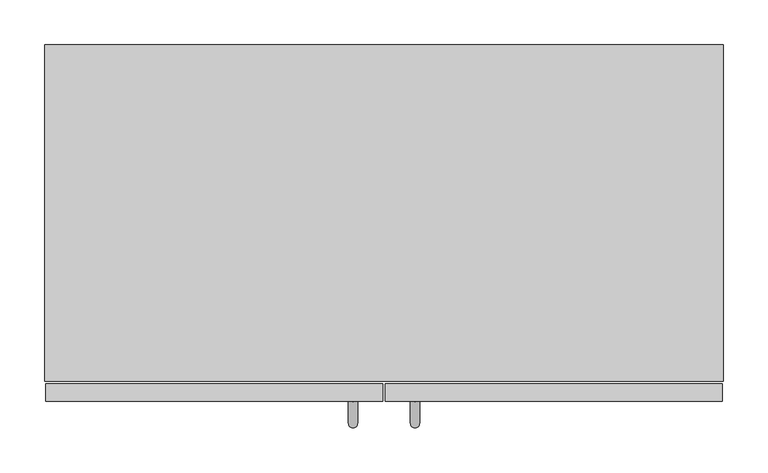
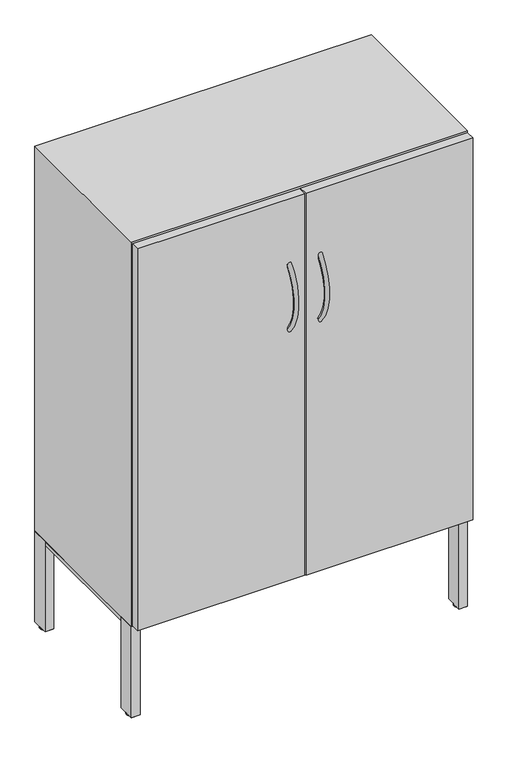
"""IFC4 building model written with IfcOpenShell, lengths in millimetres: furniture geometry."""

from ifc_helpers import new_model, si_unit, point, frame, origin, place, context, project, spatial, polyline, circle_curve, ellipse_curve, trimmed, outline, extrude, faceted_brep, source, transform, mapped, element, save
from ifc_brep_helpers import plane_surface, cylinder_surface, revolved_surface, advanced_brep


def furniture_bda686d8(model_context):
    return source(origin(), model_context, "Body", "SolidModel", [
        advanced_brep(
        [(752.078125, -350.5565183, 0.0), (752.078125, -365.8247546, 0.0), (752.078125, -358.1906364, 0.0), (752.078125, -348.2844582, 2.2720601), (752.078125, -368.0968147, 2.2720601), (752.078125, -348.2844582, 3.8099903), (752.078125, -368.0968147, 3.8099903), (752.078125, -358.1906364, 3.8099903)],
        [
            (0, 1, circle_curve(frame((752.078125, -358.1906364, 0.0), z_axis=(0.0, 0.0, -1.0), x_axis=(0.0, -1.0, 0.0)), 7.6341181)),
            (1, 2),
            (2, 0),
            (1, 0, circle_curve(frame((752.078125, -358.1906364, 0.0), z_axis=(0.0, 0.0, -1.0), x_axis=(0.0, -1.0, 0.0)), 7.6341181)),
            (3, 4, circle_curve(frame((752.078125, -358.1906364, 2.2720601), z_axis=(0.0, 0.0, -1.0), x_axis=(0.0, -1.0, 0.0)), 9.9061783)),
            (4, 1, circle_curve(frame((752.078125, -365.8247546, 2.2720601), z_axis=(1.0, 0.0, 0.0), x_axis=(0.0, 1.0, 0.0)), 2.2720601)),
            (0, 3, circle_curve(frame((752.078125, -350.5565183, 2.2720601), z_axis=(1.0, 0.0, 0.0), x_axis=(0.0, -1.0, 0.0)), 2.2720601)),
            (4, 3, circle_curve(frame((752.078125, -358.1906364, 2.2720601), z_axis=(0.0, 0.0, -1.0), x_axis=(0.0, -1.0, 0.0)), 9.9061783)),
            (5, 6, circle_curve(frame((752.078125, -358.1906364, 3.8099903), z_axis=(0.0, 0.0, -1.0), x_axis=(0.0, -1.0, 0.0)), 9.9061783)),
            (6, 4),
            (3, 5),
            (6, 5, circle_curve(frame((752.078125, -358.1906364, 3.8099903), z_axis=(0.0, 0.0, -1.0), x_axis=(0.0, -1.0, 0.0)), 9.9061783)),
            (7, 6),
            (5, 7),
        ],
        [
            plane_surface(frame((752.078125, -358.1906364, 0.0), z_axis=(0.0, 0.0, -1.0), x_axis=(0.0, -1.0, 0.0))),
            revolved_surface(trimmed(ellipse_curve(frame((752.078125, -365.8247546, 2.2720601), z_axis=(-1.0, 0.0, 0.0), x_axis=(0.0, 1.0, 0.0)), 2.2720601, 2.2720601), [point((752.078125, -365.8247546, 0.0))], [point((752.078125, -368.0968147, 2.2720601))], True, "CARTESIAN"), (752.078125, -358.1906364, 7.1227407), (0.0, 0.0, 1.0)),
            cylinder_surface(frame((752.078125, -358.1906364, 7.1227407), z_axis=(0.0, 0.0, 1.0), x_axis=(0.0, -1.0, 0.0)), 9.9061783),
            plane_surface(frame((752.078125, -358.1906364, 3.8099903), z_axis=(0.0, 0.0, 1.0), x_axis=(0.0, -1.0, 0.0))),
        ],
        [
            (0, [[1, 2, 3]]),
            (0, [[4, -3, -2]]),
            (1, [[5, 6, -1, 7]]),
            (1, [[8, -7, -4, -6]]),
            (2, [[9, 10, -5, 11]]),
            (2, [[12, -11, -8, -10]]),
            (3, [[13, -9, 14]]),
            (3, [[-14, -12, -13]]),
        ],
    ),
        extrude(outline(polyline([(743.8854686, -376.2345932), (743.8854686, -340.1469704), (760.1414228, -340.1469704), (760.1414228, -376.2345932), (743.8854686, -376.2345932)]), holes=[polyline([(745.1554613, -374.9646126), (758.871424, -374.9646126), (758.871424, -341.416951), (745.1554613, -341.416951), (745.1554613, -374.9646126)])]), frame((0.0, 0.0, 3.8099903), z_axis=(0.0, 0.0, 1.0), x_axis=(1.0, 0.0, 0.0)), (0.0, 0.0, 1.0), 1.5750008),
        extrude(outline(polyline([(655.9709602, -354.586388), (658.4000055, -342.0900333), (624.2679386, -335.4554316), (624.2679386, -241.2866938), (759.6140763, -257.8690794), (759.6140763, -338.3787643), (742.1836224, -338.3787643), (742.1836224, -371.3444319), (655.9709602, -354.586388)])), frame((0.0, 0.0, 211.9174185), z_axis=(0.0, 0.0, 1.0), x_axis=(1.0, 0.0, 0.0)), (0.0, 0.0, 1.0), 10.7575071),
        extrude(outline(polyline([(742.1836224, -378.0027992), (742.1836224, -338.3787643), (762.0, -338.3787643), (762.0, -378.0027992), (742.1836224, -378.0027992)])), frame((0.0, 0.0, 5.3850274), z_axis=(0.0, 0.0, 1.0), x_axis=(1.0, 0.0, 0.0)), (0.0, 0.0, 1.0), 217.2898982),
        advanced_brep(
        [(752.078125, -27.4462809, 0.0), (752.078125, -19.8121628, 0.0), (752.078125, -12.1780446, 0.0), (752.078125, -29.7183411, 2.2720601), (752.078125, -9.9059845, 2.2720601), (752.078125, -29.7183411, 3.8099903), (752.078125, -9.9059845, 3.8099903), (752.078125, -19.8121628, 3.8099903)],
        [
            (0, 1),
            (1, 2),
            (2, 0, circle_curve(frame((752.078125, -19.8121628, 0.0), z_axis=(0.0, 0.0, -1.0), x_axis=(0.0, 1.0, 0.0)), 7.6341181)),
            (0, 2, circle_curve(frame((752.078125, -19.8121628, 0.0), z_axis=(0.0, 0.0, -1.0), x_axis=(0.0, 1.0, 0.0)), 7.6341181)),
            (3, 0, circle_curve(frame((752.078125, -27.4462809, 2.2720601), z_axis=(1.0, 0.0, 0.0), x_axis=(0.0, 1.0, 0.0)), 2.2720601)),
            (2, 4, circle_curve(frame((752.078125, -12.1780446, 2.2720601), z_axis=(1.0, 0.0, 0.0), x_axis=(0.0, -1.0, 0.0)), 2.2720601)),
            (4, 3, circle_curve(frame((752.078125, -19.8121628, 2.2720601), z_axis=(0.0, 0.0, -1.0), x_axis=(0.0, 1.0, 0.0)), 9.9061783)),
            (3, 4, circle_curve(frame((752.078125, -19.8121628, 2.2720601), z_axis=(0.0, 0.0, -1.0), x_axis=(0.0, 1.0, 0.0)), 9.9061783)),
            (5, 3),
            (4, 6),
            (6, 5, circle_curve(frame((752.078125, -19.8121628, 3.8099903), z_axis=(0.0, 0.0, -1.0), x_axis=(0.0, 1.0, 0.0)), 9.9061783)),
            (5, 6, circle_curve(frame((752.078125, -19.8121628, 3.8099903), z_axis=(0.0, 0.0, -1.0), x_axis=(0.0, 1.0, 0.0)), 9.9061783)),
            (7, 5),
            (6, 7),
        ],
        [
            plane_surface(frame((752.078125, -19.8121628, 0.0), z_axis=(0.0, 0.0, -1.0), x_axis=(0.0, 1.0, 0.0))),
            revolved_surface(trimmed(ellipse_curve(frame((752.078125, -12.1780446, 2.2720601), z_axis=(1.0, 0.0, 0.0), x_axis=(0.0, -1.0, 0.0)), 2.2720601, 2.2720601), [point((752.078125, -12.1780446, 0.0))], [point((752.078125, -9.9059845, 2.2720601))], True, "CARTESIAN"), (752.078125, -19.8121628, 7.1227407), (0.0, 0.0, 1.0)),
            cylinder_surface(frame((752.078125, -19.8121628, 7.1227407), z_axis=(0.0, 0.0, 1.0), x_axis=(0.0, 1.0, 0.0)), 9.9061783),
            plane_surface(frame((752.078125, -19.8121628, 3.8099903), z_axis=(0.0, 0.0, 1.0), x_axis=(0.0, 1.0, 0.0))),
        ],
        [
            (0, [[1, 2, 3]]),
            (0, [[-2, -1, 4]]),
            (1, [[5, -3, 6, 7]]),
            (1, [[-6, -4, -5, 8]]),
            (2, [[9, -7, 10, 11]]),
            (2, [[-10, -8, -9, 12]]),
            (3, [[13, -11, 14]]),
            (3, [[-14, -12, -13]]),
        ],
    ),
        extrude(outline(polyline([(743.8854686, -1.768206), (760.1414228, -1.768206), (760.1414228, -37.8558289), (743.8854686, -37.8558289), (743.8854686, -1.768206)]), holes=[polyline([(745.1554613, -3.0381866), (745.1554613, -36.5858482), (758.871424, -36.5858482), (758.871424, -3.0381866), (745.1554613, -3.0381866)])]), frame((0.0, 0.0, 3.8099903), z_axis=(0.0, 0.0, 1.0), x_axis=(1.0, 0.0, 0.0)), (0.0, 0.0, 1.0), 1.5750008),
        extrude(outline(polyline([(655.9709602, -23.4164113), (742.1836224, -6.6583673), (742.1836224, -39.6240349), (759.6140763, -39.6240349), (759.6140763, -120.1337198), (624.2679386, -136.7161055), (624.2679386, -42.5473676), (658.4000055, -35.9127659), (655.9709602, -23.4164113)])), frame((0.0, 0.0, 211.9174185), z_axis=(0.0, 0.0, 1.0), x_axis=(1.0, 0.0, 0.0)), (0.0, 0.0, 1.0), 10.7575071),
        extrude(outline(polyline([(742.1836224, 0.0), (762.0, 0.0), (762.0, -39.6240349), (742.1836224, -39.6240349), (742.1836224, 0.0)])), frame((0.0, 0.0, 5.3850274), z_axis=(0.0, 0.0, 1.0), x_axis=(1.0, 0.0, 0.0)), (0.0, 0.0, 1.0), 217.2898982),
        advanced_brep(
        [(9.921875, -350.5565183, 0.0), (9.921875, -358.1906364, 0.0), (9.921875, -365.8247546, 0.0), (9.921875, -348.2844582, 2.2720601), (9.921875, -368.0968147, 2.2720601), (9.921875, -348.2844582, 3.8099903), (9.921875, -368.0968147, 3.8099903), (9.921875, -358.1906364, 3.8099903)],
        [
            (0, 1),
            (1, 2),
            (2, 0, circle_curve(frame((9.921875, -358.1906364, 0.0), z_axis=(0.0, 0.0, -1.0), x_axis=(0.0, -1.0, 0.0)), 7.6341181)),
            (0, 2, circle_curve(frame((9.921875, -358.1906364, 0.0), z_axis=(0.0, 0.0, -1.0), x_axis=(0.0, -1.0, 0.0)), 7.6341181)),
            (3, 0, circle_curve(frame((9.921875, -350.5565183, 2.2720601), z_axis=(-1.0, 0.0, 0.0), x_axis=(0.0, -1.0, 0.0)), 2.2720601)),
            (2, 4, circle_curve(frame((9.921875, -365.8247546, 2.2720601), z_axis=(-1.0, 0.0, 0.0), x_axis=(0.0, 1.0, 0.0)), 2.2720601)),
            (4, 3, circle_curve(frame((9.921875, -358.1906364, 2.2720601), z_axis=(0.0, 0.0, -1.0), x_axis=(0.0, -1.0, 0.0)), 9.9061783)),
            (3, 4, circle_curve(frame((9.921875, -358.1906364, 2.2720601), z_axis=(0.0, 0.0, -1.0), x_axis=(0.0, -1.0, 0.0)), 9.9061783)),
            (5, 3),
            (4, 6),
            (6, 5, circle_curve(frame((9.921875, -358.1906364, 3.8099903), z_axis=(0.0, 0.0, -1.0), x_axis=(0.0, -1.0, 0.0)), 9.9061783)),
            (5, 6, circle_curve(frame((9.921875, -358.1906364, 3.8099903), z_axis=(0.0, 0.0, -1.0), x_axis=(0.0, -1.0, 0.0)), 9.9061783)),
            (7, 5),
            (6, 7),
        ],
        [
            plane_surface(frame((9.921875, -358.1906364, 0.0), z_axis=(0.0, 0.0, -1.0), x_axis=(0.0, -1.0, 0.0))),
            revolved_surface(trimmed(ellipse_curve(frame((9.921875, -365.8247546, 2.2720601), z_axis=(-1.0, 0.0, 0.0), x_axis=(0.0, 1.0, 0.0)), 2.2720601, 2.2720601), [point((9.921875, -365.8247546, 0.0))], [point((9.921875, -368.0968147, 2.2720601))], True, "CARTESIAN"), (9.921875, -358.1906364, 7.1227407), (0.0, 0.0, 1.0)),
            cylinder_surface(frame((9.921875, -358.1906364, 7.1227407), z_axis=(0.0, 0.0, 1.0), x_axis=(0.0, -1.0, 0.0)), 9.9061783),
            plane_surface(frame((9.921875, -358.1906364, 3.8099903), z_axis=(0.0, 0.0, 1.0), x_axis=(0.0, -1.0, 0.0))),
        ],
        [
            (0, [[1, 2, 3]]),
            (0, [[-2, -1, 4]]),
            (1, [[5, -3, 6, 7]]),
            (1, [[-6, -4, -5, 8]]),
            (2, [[9, -7, 10, 11]]),
            (2, [[-10, -8, -9, 12]]),
            (3, [[13, -11, 14]]),
            (3, [[-14, -12, -13]]),
        ],
    ),
        extrude(outline(polyline([(18.1145314, -376.2345932), (1.8585772, -376.2345932), (1.8585772, -340.1469704), (18.1145314, -340.1469704), (18.1145314, -376.2345932)]), holes=[polyline([(16.8445387, -374.9646126), (16.8445387, -341.416951), (3.128576, -341.416951), (3.128576, -374.9646126), (16.8445387, -374.9646126)])]), frame((0.0, 0.0, 3.8099903), z_axis=(0.0, 0.0, 1.0), x_axis=(1.0, 0.0, 0.0)), (0.0, 0.0, 1.0), 1.5750008),
        extrude(outline(polyline([(106.0290398, -354.586388), (19.8163776, -371.3444319), (19.8163776, -338.3787643), (2.3859237, -338.3787643), (2.3859237, -257.8690794), (137.7320614, -241.2866938), (137.7320614, -335.4554316), (103.5999945, -342.0900333), (106.0290398, -354.586388)])), frame((0.0, 0.0, 211.9174185), z_axis=(0.0, 0.0, 1.0), x_axis=(1.0, 0.0, 0.0)), (0.0, 0.0, 1.0), 10.7575071),
        extrude(outline(polyline([(19.8163776, -378.0027992), (0.0, -378.0027992), (0.0, -338.3787643), (19.8163776, -338.3787643), (19.8163776, -378.0027992)])), frame((0.0, 0.0, 5.3850274), z_axis=(0.0, 0.0, 1.0), x_axis=(1.0, 0.0, 0.0)), (0.0, 0.0, 1.0), 217.2898982),
        advanced_brep(
        [(9.921875, -27.4462809, 0.0), (9.921875, -12.1780446, 0.0), (9.921875, -19.8121628, 0.0), (9.921875, -29.7183411, 2.2720601), (9.921875, -9.9059845, 2.2720601), (9.921875, -29.7183411, 3.8099903), (9.921875, -9.9059845, 3.8099903), (9.921875, -19.8121628, 3.8099903)],
        [
            (0, 1, circle_curve(frame((9.921875, -19.8121628, 0.0), z_axis=(0.0, 0.0, -1.0), x_axis=(0.0, 1.0, 0.0)), 7.6341181)),
            (1, 2),
            (2, 0),
            (1, 0, circle_curve(frame((9.921875, -19.8121628, 0.0), z_axis=(0.0, 0.0, -1.0), x_axis=(0.0, 1.0, 0.0)), 7.6341181)),
            (3, 4, circle_curve(frame((9.921875, -19.8121628, 2.2720601), z_axis=(0.0, 0.0, -1.0), x_axis=(0.0, 1.0, 0.0)), 9.9061783)),
            (4, 1, circle_curve(frame((9.921875, -12.1780446, 2.2720601), z_axis=(-1.0, 0.0, 0.0), x_axis=(0.0, -1.0, 0.0)), 2.2720601)),
            (0, 3, circle_curve(frame((9.921875, -27.4462809, 2.2720601), z_axis=(-1.0, 0.0, 0.0), x_axis=(0.0, 1.0, 0.0)), 2.2720601)),
            (4, 3, circle_curve(frame((9.921875, -19.8121628, 2.2720601), z_axis=(0.0, 0.0, -1.0), x_axis=(0.0, 1.0, 0.0)), 9.9061783)),
            (5, 6, circle_curve(frame((9.921875, -19.8121628, 3.8099903), z_axis=(0.0, 0.0, -1.0), x_axis=(0.0, 1.0, 0.0)), 9.9061783)),
            (6, 4),
            (3, 5),
            (6, 5, circle_curve(frame((9.921875, -19.8121628, 3.8099903), z_axis=(0.0, 0.0, -1.0), x_axis=(0.0, 1.0, 0.0)), 9.9061783)),
            (7, 6),
            (5, 7),
        ],
        [
            plane_surface(frame((9.921875, -19.8121628, 0.0), z_axis=(0.0, 0.0, -1.0), x_axis=(0.0, 1.0, 0.0))),
            revolved_surface(trimmed(ellipse_curve(frame((9.921875, -12.1780446, 2.2720601), z_axis=(1.0, 0.0, 0.0), x_axis=(0.0, -1.0, 0.0)), 2.2720601, 2.2720601), [point((9.921875, -12.1780446, 0.0))], [point((9.921875, -9.9059845, 2.2720601))], True, "CARTESIAN"), (9.921875, -19.8121628, 7.1227407), (0.0, 0.0, 1.0)),
            cylinder_surface(frame((9.921875, -19.8121628, 7.1227407), z_axis=(0.0, 0.0, 1.0), x_axis=(0.0, 1.0, 0.0)), 9.9061783),
            plane_surface(frame((9.921875, -19.8121628, 3.8099903), z_axis=(0.0, 0.0, 1.0), x_axis=(0.0, 1.0, 0.0))),
        ],
        [
            (0, [[1, 2, 3]]),
            (0, [[4, -3, -2]]),
            (1, [[5, 6, -1, 7]]),
            (1, [[8, -7, -4, -6]]),
            (2, [[9, 10, -5, 11]]),
            (2, [[12, -11, -8, -10]]),
            (3, [[13, -9, 14]]),
            (3, [[-14, -12, -13]]),
        ],
    ),
        extrude(outline(polyline([(18.1145314, -1.768206), (18.1145314, -37.8558289), (1.8585772, -37.8558289), (1.8585772, -1.768206), (18.1145314, -1.768206)]), holes=[polyline([(16.8445387, -3.0381866), (3.128576, -3.0381866), (3.128576, -36.5858482), (16.8445387, -36.5858482), (16.8445387, -3.0381866)])]), frame((0.0, 0.0, 3.8099903), z_axis=(0.0, 0.0, 1.0), x_axis=(1.0, 0.0, 0.0)), (0.0, 0.0, 1.0), 1.5750008),
        extrude(outline(polyline([(106.0290398, -23.4164113), (103.5999945, -35.9127659), (137.7320614, -42.5473676), (137.7320614, -136.7161055), (2.3859237, -120.1337198), (2.3859237, -39.6240349), (19.8163776, -39.6240349), (19.8163776, -6.6583673), (106.0290398, -23.4164113)])), frame((0.0, 0.0, 211.9174185), z_axis=(0.0, 0.0, 1.0), x_axis=(1.0, 0.0, 0.0)), (0.0, 0.0, 1.0), 10.7575071),
        extrude(outline(polyline([(19.8163776, 0.0), (19.8163776, -39.6240349), (0.0, -39.6240349), (0.0, 0.0), (19.8163776, 0.0)])), frame((0.0, 0.0, 5.3850274), z_axis=(0.0, 0.0, 1.0), x_axis=(1.0, 0.0, 0.0)), (0.0, 0.0, 1.0), 217.2898982),
        extrude(outline(polyline([(741.8326263, -377.952), (20.1673737, -377.952), (20.1673737, -20.1676), (741.8326263, -20.1676), (741.8326263, -377.952)])), frame((0.0, 0.0, 895.858), z_axis=(0.0, 0.0, 1.0), x_axis=(1.0, 0.0, 0.0)), (0.0, 0.0, 1.0), 20.1675917),
        extrude(outline(polyline([(741.8326263, -377.952), (20.1673737, -377.952), (20.1673737, -20.1676), (741.8326263, -20.1676), (741.8326263, -377.952)])), frame((0.0, 0.0, 558.1395994), z_axis=(0.0, 0.0, 1.0), x_axis=(1.0, 0.0, 0.0)), (0.0, 0.0, 1.0), 20.1675917),
        extrude(outline(polyline([(212.5522996, 0.2282928), (212.5522996, 13.8934349), (214.1524565, 13.8934349), (214.1524565, 1.8282314), (222.6749256, 1.8282314), (222.6749256, 0.2282928), (212.5522996, 0.2282928)])), frame((0.0, -341.3764831, 0.0), z_axis=(0.0, 1.0, 0.0), x_axis=(0.0, 0.0, 1.0)), (0.0, 0.0, 1.0), 301.7524483),
        extrude(outline(polyline([(212.5522996, 761.2156487), (222.6749256, 761.2156487), (222.6749256, 759.61571), (214.1524565, 759.61571), (214.1524565, 747.5505065), (212.5522996, 747.5505065), (212.5522996, 761.2156487)])), frame((0.0, -341.3764831, 0.0), z_axis=(0.0, 1.0, 0.0), x_axis=(0.0, 0.0, 1.0)), (0.0, 0.0, 1.0), 301.7524483),
        advanced_brep(
        [(351.2586508, -396.8646792, 983.5625513), (341.0986508, -396.8646792, 983.5625513), (351.2586508, -396.8646792, 824.2609635), (341.0986508, -396.8646792, 824.2609635)],
        [
            (0, 1, circle_curve(frame((346.1786508, -396.8646792, 983.5625513), z_axis=(0.0, 0.6426617002147492, 0.7661500760798029), x_axis=(-1.0, 0.0, 0.0)), 5.08)),
            (1, 0, circle_curve(frame((346.1786508, -396.8646792, 983.5625513), z_axis=(0.0, 0.6426617002147492, 0.7661500760798029), x_axis=(-1.0, 0.0, 0.0)), 5.08)),
            (2, 3, circle_curve(frame((346.1786508, -396.8646792, 824.2609635), z_axis=(0.0, 0.642661700214741, -0.7661500760798098), x_axis=(-1.0, 0.0, 0.0)), 5.08)),
            (3, 2, circle_curve(frame((346.1786508, -396.8646792, 824.2609635), z_axis=(0.0, 0.642661700214741, -0.7661500760798098), x_axis=(-1.0, 0.0, 0.0)), 5.08)),
            (3, 1, circle_curve(frame((341.0986508, -301.90887, 903.9117574), z_axis=(-1.0, 0.0, 0.0), x_axis=(0.0, -0.7661500760798029, 0.6426617002147492)), 123.9389151)),
            (0, 2, circle_curve(frame((351.2586508, -301.90887, 903.9117574), z_axis=(1.0, 0.0, 0.0), x_axis=(0.0, -0.7661500760798029, 0.6426617002147492)), 123.9389151)),
        ],
        [
            plane_surface(frame((381.0, -400.3802124, 986.5114494), z_axis=(0.0, 0.6426617002147492, 0.7661500760798029), x_axis=(-1.0, 0.0, 0.0))),
            plane_surface(frame((381.0, -400.3802124, 821.3120653), z_axis=(0.0, 0.642661700214741, -0.7661500760798098), x_axis=(-1.0, 0.0, 0.0))),
            revolved_surface(trimmed(ellipse_curve(frame((346.1786508, -396.8646792, 983.5625513), z_axis=(0.0, 0.6426617002147492, 0.7661500760798029), x_axis=(-1.0, 0.0, 0.0)), 5.08, 5.08), [point((351.2586508, -396.8646792, 983.5625513))], [point((341.0986508, -396.8646792, 983.5625513))], True, "CARTESIAN"), (381.0, -301.90887, 903.9117574), (1.0, 0.0, 0.0)),
            revolved_surface(trimmed(ellipse_curve(frame((346.1786508, -396.8646792, 983.5625513), z_axis=(0.0, 0.6426617002147492, 0.7661500760798029), x_axis=(-1.0, 0.0, 0.0)), 5.08, 5.08), [point((341.0986508, -396.8646792, 983.5625513))], [point((351.2586508, -396.8646792, 983.5625513))], True, "CARTESIAN"), (381.0, -301.90887, 903.9117574), (1.0, 0.0, 0.0)),
        ],
        [
            (0, [[1, 2]]),
            (1, [[3, 4]]),
            (2, [[5, -1, 6, -4]]),
            (3, [[-6, -2, -5, -3]]),
        ],
    ),
        advanced_brep(
        [(420.9013492, -396.8646792, 983.5625513), (410.7413492, -396.8646792, 983.5625513), (420.9013492, -396.8646792, 824.2609635), (410.7413492, -396.8646792, 824.2609635)],
        [
            (0, 1, circle_curve(frame((415.8213492, -396.8646792, 983.5625513), z_axis=(0.0, 0.6426617002147492, 0.7661500760798029), x_axis=(-1.0, 0.0, 0.0)), 5.08)),
            (1, 0, circle_curve(frame((415.8213492, -396.8646792, 983.5625513), z_axis=(0.0, 0.6426617002147492, 0.7661500760798029), x_axis=(-1.0, 0.0, 0.0)), 5.08)),
            (2, 3, circle_curve(frame((415.8213492, -396.8646792, 824.2609635), z_axis=(0.0, 0.642661700214741, -0.7661500760798098), x_axis=(-1.0, 0.0, 0.0)), 5.08)),
            (3, 2, circle_curve(frame((415.8213492, -396.8646792, 824.2609635), z_axis=(0.0, 0.642661700214741, -0.7661500760798098), x_axis=(-1.0, 0.0, 0.0)), 5.08)),
            (3, 1, circle_curve(frame((410.7413492, -301.90887, 903.9117574), z_axis=(-1.0, 0.0, 0.0), x_axis=(0.0, -0.7661500760798029, 0.6426617002147492)), 123.9389151)),
            (0, 2, circle_curve(frame((420.9013492, -301.90887, 903.9117574), z_axis=(1.0, 0.0, 0.0), x_axis=(0.0, -0.7661500760798029, 0.6426617002147492)), 123.9389151)),
        ],
        [
            plane_surface(frame((381.0, -400.3802124, 986.5114494), z_axis=(0.0, 0.6426617002147492, 0.7661500760798029), x_axis=(-1.0, 0.0, 0.0))),
            plane_surface(frame((381.0, -400.3802124, 821.3120653), z_axis=(0.0, 0.642661700214741, -0.7661500760798098), x_axis=(-1.0, 0.0, 0.0))),
            revolved_surface(trimmed(ellipse_curve(frame((415.8213492, -396.8646792, 983.5625513), z_axis=(0.0, 0.6426617002147492, 0.7661500760798029), x_axis=(-1.0, 0.0, 0.0)), 5.08, 5.08), [point((420.9013492, -396.8646792, 983.5625513))], [point((410.7413492, -396.8646792, 983.5625513))], True, "CARTESIAN"), (381.0, -301.90887, 903.9117574), (1.0, 0.0, 0.0)),
            revolved_surface(trimmed(ellipse_curve(frame((415.8213492, -396.8646792, 983.5625513), z_axis=(0.0, 0.6426617002147492, 0.7661500760798029), x_axis=(-1.0, 0.0, 0.0)), 5.08, 5.08), [point((410.7413492, -396.8646792, 983.5625513))], [point((420.9013492, -396.8646792, 983.5625513))], True, "CARTESIAN"), (381.0, -301.90887, 903.9117574), (1.0, 0.0, 0.0)),
        ],
        [
            (0, [[1, 2]]),
            (1, [[3, 4]]),
            (2, [[5, -1, 6, -4]]),
            (3, [[-6, -2, -5, -3]]),
        ],
    ),
        extrude(outline(polyline([(379.5000916, -380.4930542), (379.5000916, -400.3802124), (1.4999084, -400.3802124), (1.4999084, -380.4930542), (379.5000916, -380.4930542)])), frame((0.0, 0.0, 226.1362), z_axis=(0.0, 0.0, 1.0), x_axis=(1.0, 0.0, 0.0)), (0.0, 0.0, 1.0), 913.8638378),
        extrude(outline(polyline([(760.5000916, -380.4930542), (760.5000916, -400.3802124), (382.4999084, -400.3802124), (382.4999084, -380.4930542), (760.5000916, -380.4930542)])), frame((0.0, 0.0, 226.1362), z_axis=(0.0, 0.0, 1.0), x_axis=(1.0, 0.0, 0.0)), (0.0, 0.0, 1.0), 913.8638378),
        faceted_brep([(762.0, 0.0, 1143.0), (0.0, 0.0, 1143.0), (0.0, -378.0027992, 1143.0), (762.0, -378.0027992, 1143.0), (762.0, 0.0, 222.6749256), (762.0, -378.0027992, 222.6749256), (0.0, -378.0027992, 222.6749256), (0.0, 0.0, 222.6749256), (20.1673737, -378.0027992, 1122.8324083), (741.8326263, -378.0027992, 1122.8324083), (741.8326263, -378.0027992, 242.5014649), (20.1673737, -378.0027992, 242.5014649), (20.1673737, -20.1676, 242.5014649), (20.1673737, -20.1676, 1122.8324083), (741.8326263, -20.1676, 242.5014649), (741.8326263, -20.1676, 1122.8324083)], [[[0, 1, 2, 3]], [[4, 5, 6, 7]], [[1, 0, 4, 7]], [[2, 1, 7, 6]], [[3, 2, 6, 5], [8, 9, 10, 11]], [[8, 11, 12, 13]], [[13, 12, 14, 15]], [[15, 14, 10, 9]], [[0, 3, 5, 4]], [[9, 8, 13, 15]], [[11, 10, 14, 12]]]),
    ])


if __name__ == "__main__":
    model = new_model("IFC4")
    model_context = context("Model", 3, world=origin())
    ifc_project = project(units=[si_unit("LENGTHUNIT", "METRE", prefix="MILLI")], contexts=[model_context])
    site = spatial("IfcSite", under=ifc_project)
    building = spatial("IfcBuilding", under=site)
    placement = place(None, origin())
    furniture_shape = furniture_bda686d8(model_context)
    element("IfcFurniture", 1, at=placement, inside=building, context=model_context, shape_type="MappedRepresentation", body=[
        mapped(furniture_shape, transform((0.0, 0.0, 0.0), x_axis=(1.0, 0.0, 0.0), y_axis=(0.0, 1.0, 0.0), z_axis=(0.0, 0.0, 1.0))),
    ])
    save(model, "model.ifc")
